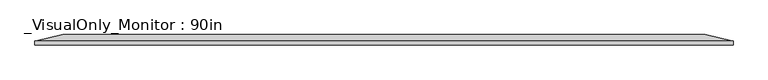
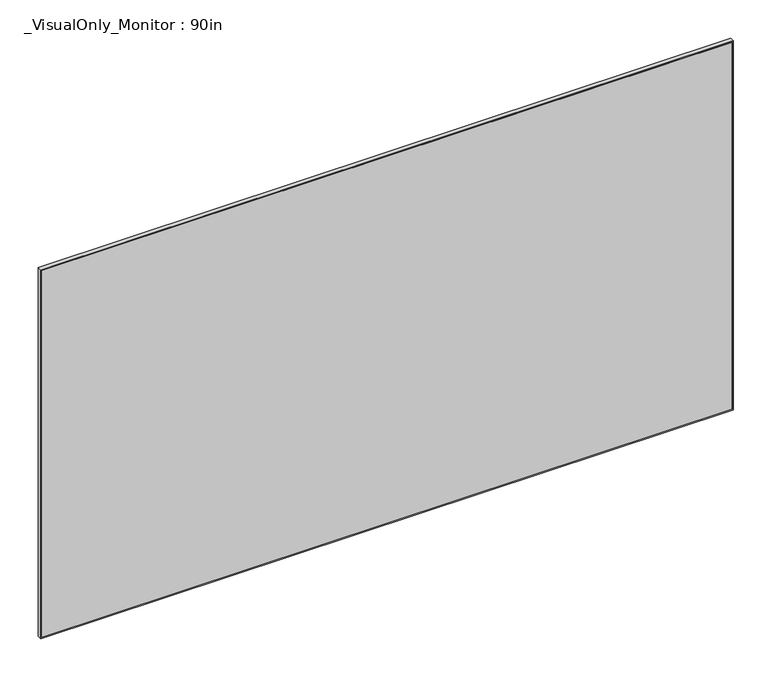
"""IFC4 building model written with IfcOpenShell, lengths in millimetres: furniture geometry, _VisualOnly_Monitor : 90in."""

from ifc_helpers import new_model, si_unit, frame, origin, place, context, project, spatial, polyline, outline, extrude, faceted_brep, source, transform, mapped, element, save


def visualonly_monitor_90in_a99bcdda(model_context):
    return source(origin(), model_context, "Body", "SolidModel", [
        extrude(outline(polyline([(-996.2108389, -116.586), (996.2108389, -116.586), (996.2108389, -128.778), (-996.2108389, -128.778), (-996.2108389, -116.586)])), frame((0.0, 0.0, 1039.8314031), z_axis=(0.0, 0.0, 1.0), x_axis=(1.0, 0.0, 0.0)), (0.0, 0.0, 1.0), 1120.7371938),
        faceted_brep([(996.2108389, -128.778, 2160.5685969), (996.2108389, -116.586, 2160.5685969), (996.2108389, -116.586, 1039.8314031), (996.2108389, -128.778, 1039.8314031), (-996.2108389, -116.586, 1039.8314031), (-996.2108389, -128.778, 1039.8314031), (-996.2108389, -116.586, 2160.5685969), (-996.2108389, -128.778, 2160.5685969), (999.2108389, -116.586, 1036.8314031), (-999.2108389, -116.586, 1036.8314031), (-999.2108389, -116.586, 2163.5685969), (999.2108389, -116.586, 2163.5685969), (996.2108389, -116.586, 1039.8314031), (996.2108389, -116.586, 2160.5685969), (-996.2108389, -116.586, 2160.5685969), (-996.2108389, -116.586, 1039.8314031), (999.2108389, -128.778, 2163.5685969), (-999.2108389, -128.778, 2163.5685969), (-999.2108389, -128.778, 1036.8314031), (999.2108389, -128.778, 1036.8314031), (920.0108389, -98.806, 2109.7685969), (920.0108389, -98.806, 1090.6314031), (-920.0108389, -98.806, 1090.6314031), (-920.0108389, -98.806, 2109.7685969)], [[[0, 1, 2, 3]], [[3, 2, 4, 5]], [[5, 4, 6, 7]], [[8, 9, 10, 11], [12, 13, 14, 15]], [[1, 0, 7, 6]], [[16, 17, 18, 19], [0, 3, 5, 7]], [[8, 11, 16, 19]], [[9, 8, 19, 18]], [[10, 9, 18, 17]], [[11, 10, 17, 16]], [[2, 1, 6, 4]], [[20, 21, 22, 23]], [[21, 20, 13, 12]], [[22, 21, 12, 15]], [[23, 22, 15, 14]], [[20, 23, 14, 13]]]),
    ])


if __name__ == "__main__":
    model = new_model("IFC4")
    model_context = context("Model", 3, world=origin())
    ifc_project = project(units=[si_unit("LENGTHUNIT", "METRE", prefix="MILLI")], contexts=[model_context])
    site = spatial("IfcSite", under=ifc_project)
    building = spatial("IfcBuilding", under=site)
    placement = place(None, origin())
    visualonly_monitor_90in_shape = visualonly_monitor_90in_a99bcdda(model_context)
    element("IfcFurniture", 1, ObjectType="_VisualOnly_Monitor : 90in", at=placement, inside=building, context=model_context, shape_type="MappedRepresentation", body=[
        mapped(visualonly_monitor_90in_shape, transform((0.0, 0.0, 0.0), x_axis=(1.0, 0.0, 0.0), y_axis=(0.0, 1.0, 0.0), z_axis=(0.0, 0.0, 1.0))),
    ])
    save(model, "model.ifc")
